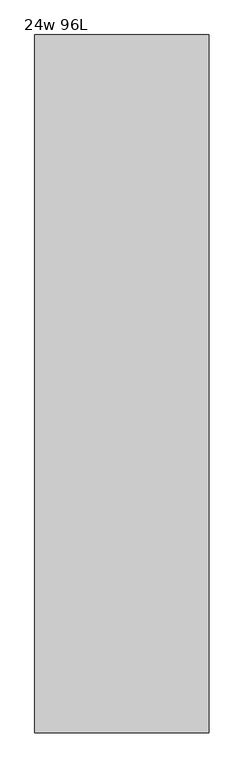
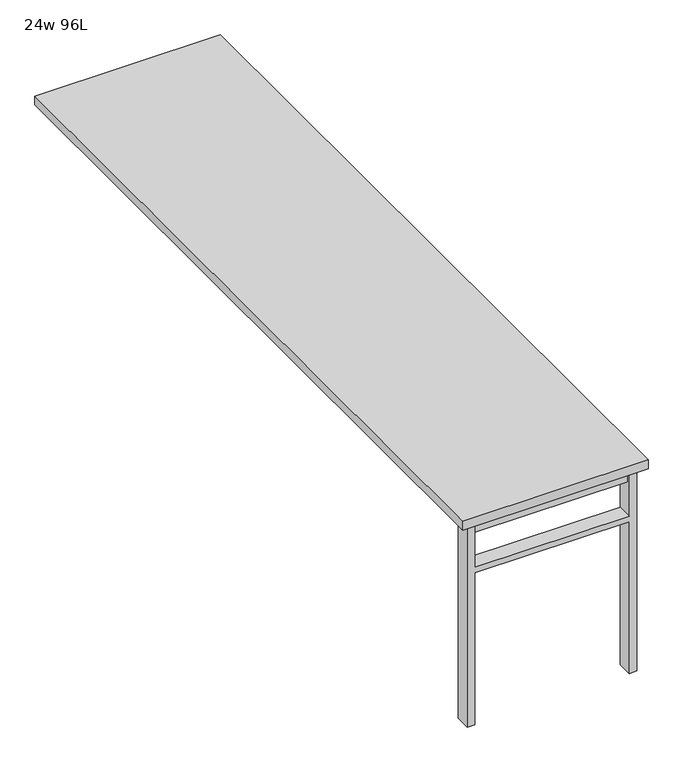
"""IFC4 building model written with IfcOpenShell, lengths in millimetres: furniture geometry, 24w 96L."""

from ifc_helpers import new_model, si_unit, frame, origin, place, context, project, spatial, polyline, outline, extrude, source, transform, mapped, element, save


def furniture_24w_96l_5d610890(model_context):
    return source(origin(), model_context, "Body", "SweptSolid", [
        extrude(outline(polyline([(-254.0, -1158.875), (254.0, -1158.875), (254.0, -1190.625), (-254.0, -1190.625), (-254.0, -1158.875)])), frame((0.0, 0.0, 661.9875), z_axis=(0.0, 0.0, 1.0), x_axis=(1.0, 0.0, 0.0)), (0.0, 0.0, 1.0), 44.45),
        extrude(outline(polyline([(528.6375, 254.0), (0.0, 254.0), (0.0, 279.4), (706.4375, 279.4), (706.4375, 254.0), (547.6875, 254.0), (547.6875, -254.0), (706.4375, -254.0), (706.4375, -279.4), (0.0, -279.4), (0.0, -254.0), (528.6375, -254.0), (528.6375, 254.0)])), frame((0.0, -1200.15, 0.0), z_axis=(0.0, 1.0, 0.0), x_axis=(0.0, 0.0, 1.0)), (0.0, 0.0, 1.0), 50.8),
        extrude(outline(polyline([(-304.8, -1219.2), (-304.8, 1219.2), (304.8, 1219.2), (304.8, -1219.2), (-304.8, -1219.2)])), frame((0.0, 0.0, 706.4375), z_axis=(0.0, 0.0, 1.0), x_axis=(1.0, 0.0, 0.0)), (0.0, 0.0, 1.0), 30.1625),
    ])


if __name__ == "__main__":
    model = new_model("IFC4")
    model_context = context("Model", 3, world=origin())
    ifc_project = project(units=[si_unit("LENGTHUNIT", "METRE", prefix="MILLI")], contexts=[model_context])
    site = spatial("IfcSite", under=ifc_project)
    building = spatial("IfcBuilding", under=site)
    placement = place(None, origin())
    furniture_24w_96l_shape = furniture_24w_96l_5d610890(model_context)
    element("IfcFurniture", 1, ObjectType="24w 96L", at=placement, inside=building, context=model_context, shape_type="MappedRepresentation", body=[
        mapped(furniture_24w_96l_shape, transform((0.0, 0.0, 0.0), x_axis=(1.0, 0.0, 0.0), y_axis=(0.0, 1.0, 0.0), z_axis=(0.0, 0.0, 1.0))),
    ])
    save(model, "model.ifc")
